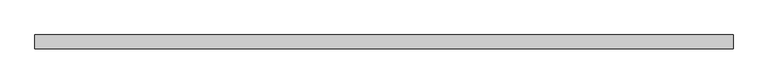
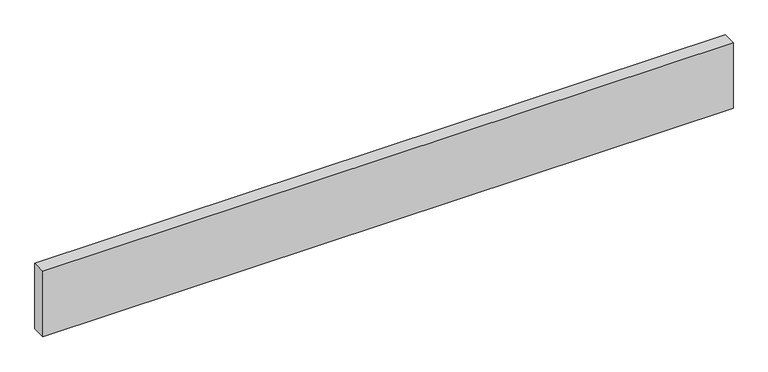
"""IFC4 building model written with IfcOpenShell, lengths in millimetres: proxy geometry."""

from ifc_helpers import new_model, si_unit, origin, origin_with_axes, place, context, project, spatial, polyline, outline, extrude, source, transform, mapped, element, save


def generic_models_98d9dc43(model_context):
    return source(origin(), model_context, "Body", "SweptSolid", [
        extrude(outline(polyline([(0.0, -100.0), (-5000.0, -100.0), (-5000.0, 0.0), (0.0, 0.0), (0.0, -100.0)])), origin_with_axes(), (0.0, 0.0, 1.0), 500.0),
    ])


if __name__ == "__main__":
    model = new_model("IFC4")
    model_context = context("Model", 3, world=origin())
    ifc_project = project(units=[si_unit("LENGTHUNIT", "METRE", prefix="MILLI")], contexts=[model_context])
    site = spatial("IfcSite", under=ifc_project)
    building = spatial("IfcBuilding", under=site)
    placement = place(None, origin())
    generic_models_shape = generic_models_98d9dc43(model_context)
    element("IfcBuildingElementProxy", 1, Name="Generic Models", at=placement, inside=building, context=model_context, shape_type="MappedRepresentation", body=[
        mapped(generic_models_shape, transform((0.0, 0.0, 0.0), x_axis=(1.0, 0.0, 0.0), y_axis=(0.0, 1.0, 0.0), z_axis=(0.0, 0.0, 1.0))),
    ])
    save(model, "model.ifc")
